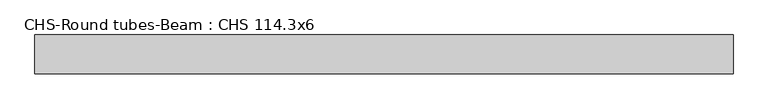
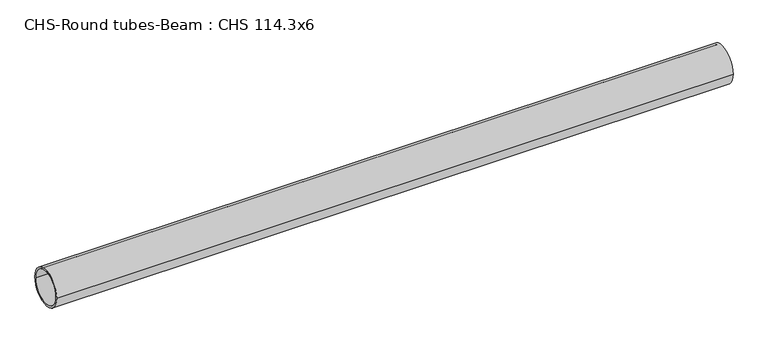
"""IFC4 building model written with IfcOpenShell, lengths in millimetres: beam geometry, CHS-Round tubes-Beam : CHS 114.3x6."""

from ifc_helpers import new_model, si_unit, point, frame, origin, origin_2d, place, context, project, spatial, circle_curve, trimmed, segment, composite_curve, outline, extrude, source, transform, mapped, element, save


def chs_round_tubes_beam_chs_114_3x6_0fd2726f(model_context):
    return source(origin(), model_context, "Body", "SweptSolid", [
        extrude(outline(composite_curve([segment(trimmed(circle_curve(origin_2d(), 57.15), [point((57.15, 0.0))], [point((-57.15, 0.0))], False, "CARTESIAN"), True, "CONTINUOUS"), segment(trimmed(circle_curve(origin_2d(), 57.15), [point((-57.15, 0.0))], [point((57.15, 0.0))], False, "CARTESIAN"), True, "CONTINUOUS")], self_intersect=False), holes=[composite_curve([segment(trimmed(circle_curve(origin_2d(), 51.15), [point((51.15, 0.0))], [point((-51.15, 0.0))], True, "CARTESIAN"), True, "CONTINUOUS"), segment(trimmed(circle_curve(origin_2d(), 51.15), [point((-51.15, 0.0))], [point((51.15, 0.0))], True, "CARTESIAN"), True, "CONTINUOUS")], self_intersect=False)]), frame((-1021.3322632, 0.0, 0.0), z_axis=(1.0, 0.0, 0.0), x_axis=(0.0, 1.0, 0.0)), (0.0, 0.0, 1.0), 2062.7265697),
    ])


if __name__ == "__main__":
    model = new_model("IFC4")
    model_context = context("Model", 3, world=origin())
    ifc_project = project(units=[si_unit("LENGTHUNIT", "METRE", prefix="MILLI")], contexts=[model_context])
    site = spatial("IfcSite", under=ifc_project)
    building = spatial("IfcBuilding", under=site)
    placement = place(None, origin())
    chs_round_tubes_beam_chs_114_3x6_shape = chs_round_tubes_beam_chs_114_3x6_0fd2726f(model_context)
    element("IfcBeam", 1, ObjectType="CHS-Round tubes-Beam : CHS 114.3x6", at=placement, inside=building, context=model_context, shape_type="MappedRepresentation", body=[
        mapped(chs_round_tubes_beam_chs_114_3x6_shape, transform((0.0, 0.0, 0.0), x_axis=(1.0, 0.0, 0.0), y_axis=(0.0, 1.0, 0.0), z_axis=(0.0, 0.0, 1.0))),
    ])
    save(model, "model.ifc")
